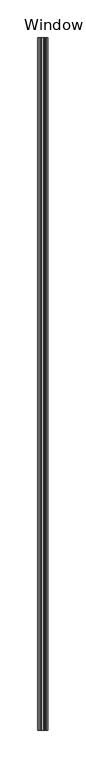
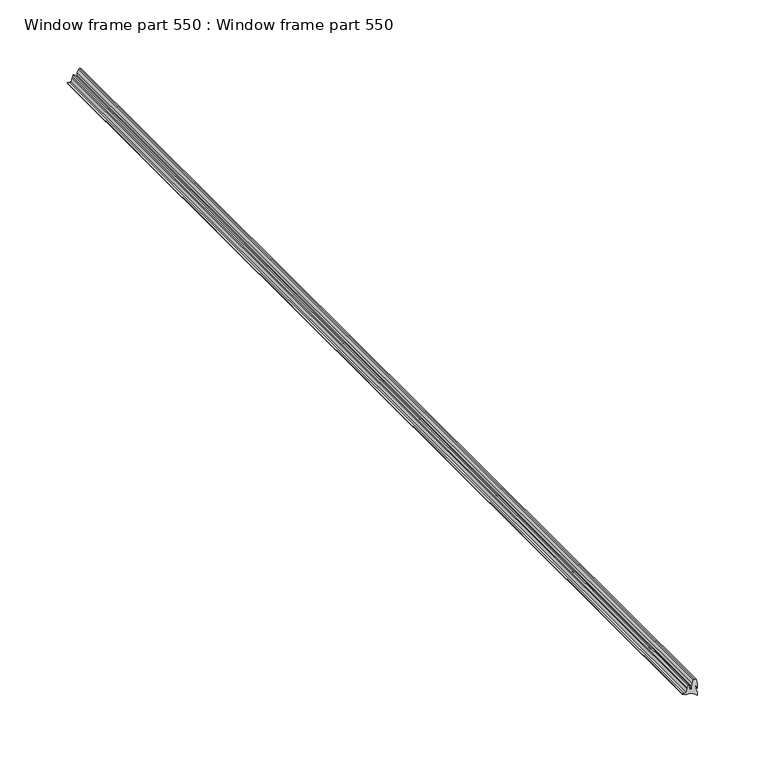
"""IFC4 building model written with IfcOpenShell, lengths in millimetres: proxy geometry, Window frame part 550 : Window frame part 550."""

from ifc_helpers import new_model, si_unit, frame, origin, place, context, project, spatial, polyline, outline, extrude, source, transform, mapped, element, save


def window_frame_part_550_window_frame_part_550_8fb8ad0b(model_context):
    return source(origin(), model_context, "Body", "SweptSolid", [
        extrude(outline(polyline([(2901.1623577, 37574.3666097), (2900.1348518, 37577.2302929), (2899.8893264, 37580.8846818), (2899.2508173, 37583.2676303), (2896.0656074, 37587.2461003), (2899.3482254, 37587.2059749), (2901.9989933, 37585.8126335), (2906.5878434, 37585.4472705), (2902.4428812, 37587.2059749), (2905.8527199, 37587.2059749), (2910.6435729, 37586.1281904), (2911.5422582, 37584.8250595), (2911.1339242, 37583.8392541), (2908.2849885, 37582.8297436), (2905.8527199, 37582.4746242), (2903.4218685, 37582.4746242), (2903.4218685, 37580.6116165), (2904.783748, 37580.0543204), (2904.9075552, 37581.045069), (2905.8361093, 37580.178164), (2906.3932418, 37580.9831474), (2907.7303326, 37579.4139798), (2905.8361093, 37578.6301191), (2904.7218444, 37578.4443536), (2901.9980855, 37577.5774483), (2901.8742783, 37576.0294034), (2901.95, 37574.1103097), (2901.1623577, 37574.3666097)])), frame((0.0, -19576.8264269, 0.0), z_axis=(0.0, 1.0, 0.0), x_axis=(0.0, 0.0, 1.0)), (0.0, 0.0, 1.0), 914.4),
    ])


if __name__ == "__main__":
    model = new_model("IFC4")
    model_context = context("Model", 3, world=origin())
    ifc_project = project(units=[si_unit("LENGTHUNIT", "METRE", prefix="MILLI")], contexts=[model_context])
    site = spatial("IfcSite", under=ifc_project)
    building = spatial("IfcBuilding", under=site)
    placement = place(None, origin())
    window_frame_part_550_window_frame_part_550_shape = window_frame_part_550_window_frame_part_550_8fb8ad0b(model_context)
    element("IfcBuildingElementProxy", 1, Name="Window frame part 550 : Window frame part 550", ObjectType="Window frame part 550 : Window frame part 550", at=placement, inside=building, context=model_context, shape_type="MappedRepresentation", body=[
        mapped(window_frame_part_550_window_frame_part_550_shape, transform((0.0, 0.0, 0.0), x_axis=(1.0, 0.0, 0.0), y_axis=(0.0, 1.0, 0.0), z_axis=(0.0, 0.0, 1.0))),
    ])
    save(model, "model.ifc")
